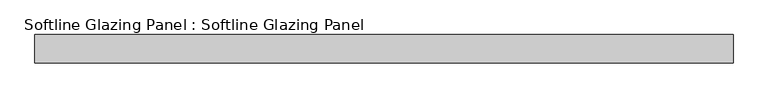
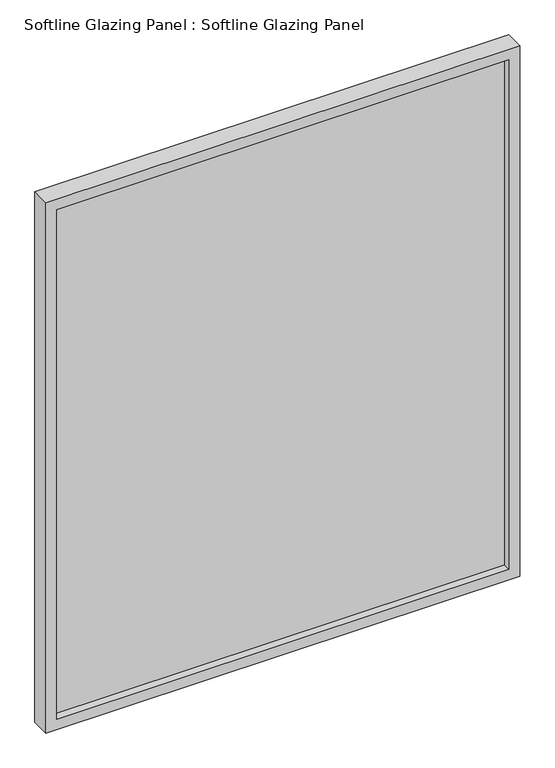
"""IFC4 building model written with IfcOpenShell, lengths in millimetres: plate geometry, Softline Glazing Panel : Softline Glazing Panel."""

from ifc_helpers import new_model, si_unit, frame, origin, place, context, project, spatial, polyline, outline, extrude, faceted_brep, source, transform, mapped, element, save


def softline_glazing_panel_softline_glazing_panel_5fe66516(model_context):
    return source(origin(), model_context, "Body", "SolidModel", [
        extrude(outline(polyline([(543.0, 4.0), (543.0, -4.0), (-543.0, -4.0), (-543.0, 4.0), (543.0, 4.0)])), frame((0.0, 0.0, 16.0), z_axis=(0.0, 0.0, 1.0), x_axis=(1.0, 0.0, 0.0)), (0.0, 0.0, 1.0), 1291.0),
        faceted_brep([(533.0, 4.0, 26.0), (533.0, 22.5, 26.0), (-533.0, 22.5, 26.0), (-533.0, 4.0, 26.0), (543.0, -4.0, 16.0), (543.0, 4.0, 16.0), (-543.0, 4.0, 16.0), (-543.0, -4.0, 16.0), (533.0, -22.5, 26.0), (533.0, -4.0, 26.0), (-533.0, -4.0, 26.0), (-533.0, -22.5, 26.0), (559.0, 22.5, 0.0), (559.0, -22.5, 0.0), (-559.0, -22.5, 0.0), (-559.0, 22.5, 0.0), (-533.0, 22.5, 1297.0), (-533.0, 4.0, 1297.0), (-543.0, 4.0, 1307.0), (-543.0, -4.0, 1307.0), (-533.0, -4.0, 1297.0), (-533.0, -22.5, 1297.0), (-559.0, -22.5, 1323.0), (-559.0, 22.5, 1323.0), (533.0, 22.5, 1297.0), (533.0, 4.0, 1297.0), (543.0, 4.0, 1307.0), (543.0, -4.0, 1307.0), (533.0, -4.0, 1297.0), (533.0, -22.5, 1297.0), (559.0, -22.5, 1323.0), (559.0, 22.5, 1323.0)], [[[0, 1, 2, 3]], [[4, 5, 6, 7]], [[8, 9, 10, 11]], [[12, 13, 14, 15]], [[3, 2, 16, 17]], [[7, 6, 18, 19]], [[11, 10, 20, 21]], [[15, 14, 22, 23]], [[17, 16, 24, 25]], [[19, 18, 26, 27]], [[21, 20, 28, 29]], [[23, 22, 30, 31]], [[15, 23, 31, 12], [1, 24, 16, 2]], [[25, 24, 1, 0]], [[5, 26, 18, 6], [3, 17, 25, 0]], [[27, 26, 5, 4]], [[7, 19, 27, 4], [9, 28, 20, 10]], [[29, 28, 9, 8]], [[13, 30, 22, 14], [11, 21, 29, 8]], [[31, 30, 13, 12]]]),
    ])


if __name__ == "__main__":
    model = new_model("IFC4")
    model_context = context("Model", 3, world=origin())
    ifc_project = project(units=[si_unit("LENGTHUNIT", "METRE", prefix="MILLI")], contexts=[model_context])
    site = spatial("IfcSite", under=ifc_project)
    building = spatial("IfcBuilding", under=site)
    placement = place(None, origin())
    softline_glazing_panel_softline_glazing_panel_shape = softline_glazing_panel_softline_glazing_panel_5fe66516(model_context)
    element("IfcPlate", 1, ObjectType="Softline Glazing Panel : Softline Glazing Panel", at=placement, inside=building, context=model_context, shape_type="MappedRepresentation", body=[
        mapped(softline_glazing_panel_softline_glazing_panel_shape, transform((0.0, 0.0, 0.0), x_axis=(1.0, 0.0, 0.0), y_axis=(0.0, 1.0, 0.0), z_axis=(0.0, 0.0, 1.0))),
    ])
    save(model, "model.ifc")
